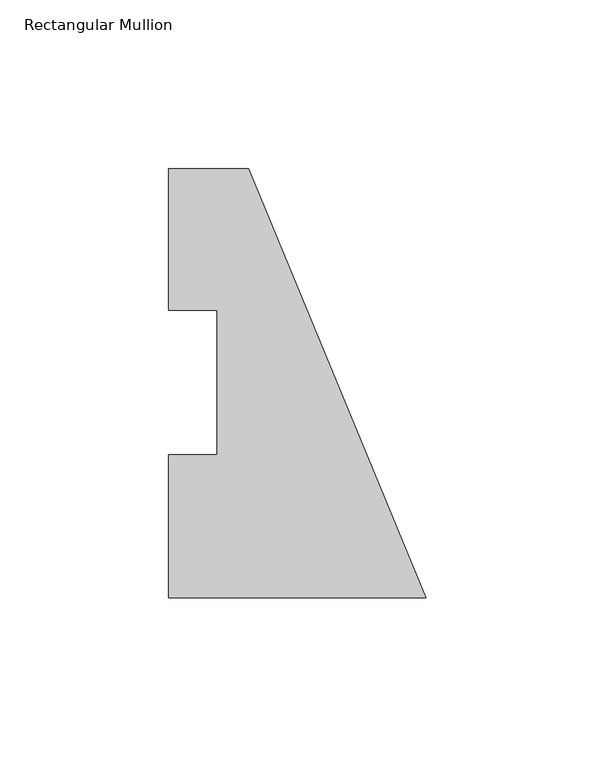
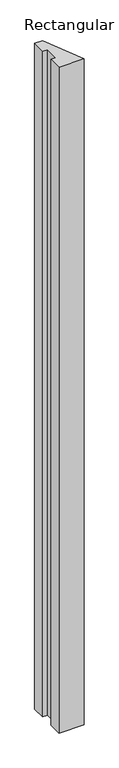
"""IFC4 building model written with IfcOpenShell, lengths in millimetres: member geometry, Rectangular Mullion."""

from ifc_helpers import new_model, si_unit, frame, origin, place, context, project, spatial, polyline, outline, extrude, source, transform, mapped, element, save


def rectangular_mullion_ec382b65(model_context):
    return source(origin(), model_context, "Body", "SweptSolid", [
        extrude(outline(polyline([(-76.2, 126.9705908), (-52.6051224, 126.9705908), (0.0, -0.0294092), (-76.2, -0.0294092), (-76.2, 42.2798875), (-61.9125, 42.2798875), (-61.9125, 85.1296875), (-76.2, 85.1296875), (-76.2, 126.9705908)])), frame((0.0, 0.0, -2133.6), z_axis=(0.0, 0.0, 1.0), x_axis=(1.0, 0.0, 0.0)), (0.0, 0.0, 1.0), 2133.6),
    ])


if __name__ == "__main__":
    model = new_model("IFC4")
    model_context = context("Model", 3, world=origin())
    ifc_project = project(units=[si_unit("LENGTHUNIT", "METRE", prefix="MILLI")], contexts=[model_context])
    site = spatial("IfcSite", under=ifc_project)
    building = spatial("IfcBuilding", under=site)
    placement = place(None, origin())
    rectangular_mullion_shape = rectangular_mullion_ec382b65(model_context)
    element("IfcMember", 1, ObjectType="Rectangular Mullion", at=placement, inside=building, context=model_context, shape_type="MappedRepresentation", body=[
        mapped(rectangular_mullion_shape, transform((0.0, 0.0, 0.0), x_axis=(1.0, 0.0, 0.0), y_axis=(0.0, 1.0, 0.0), z_axis=(0.0, 0.0, 1.0))),
    ])
    save(model, "model.ifc")
